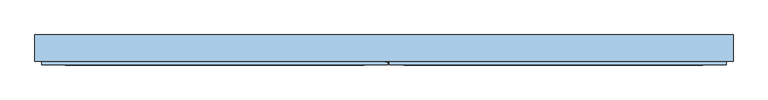
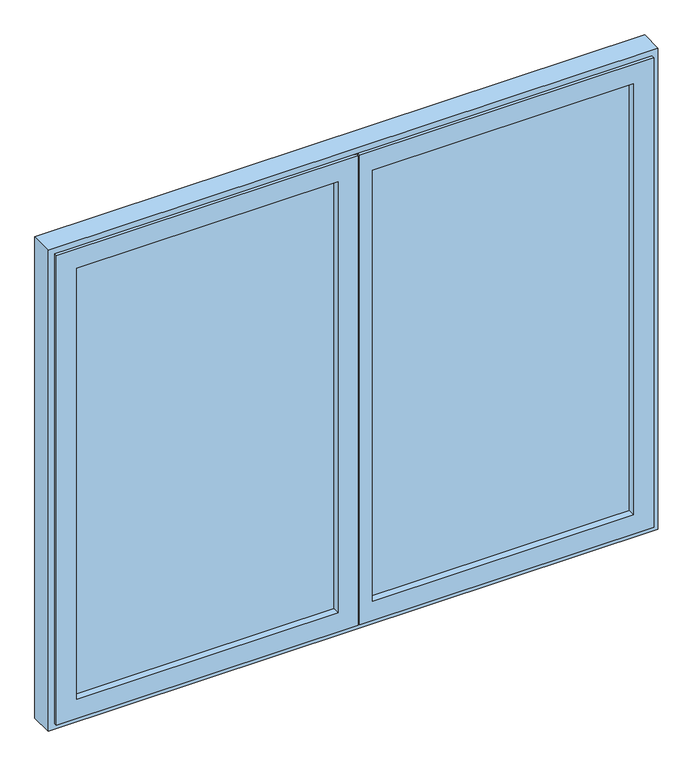
"""IFC4 building model written with IfcOpenShell, lengths in millimetres: window geometry."""

from ifc_helpers import new_model, si_unit, frame, origin, place, context, project, spatial, polyline, outline, extrude, faceted_brep, source, transform, mapped, element, save


def window_31a3cd9f(model_context):
    return source(origin(), model_context, "Body", "SolidModel", [
        faceted_brep([(51.41, 24.77, 978.0), (51.41, 24.77, 973.0), (51.41, 33.3, 973.0), (51.41, 33.3, 935.5), (51.41, -17.24, 935.5), (51.41, -17.24, 978.0), (51.41, 24.77, 2322.0), (51.41, 24.77, 2327.0), (827.0, 24.77, 2327.0), (827.0, 24.77, 973.0), (822.0, 24.77, 978.0), (822.0, 24.77, 2322.0), (827.0, 33.3, 973.0), (51.41, 33.3, 2327.0), (51.41, 33.3, 2364.5), (864.5, 33.3, 2364.5), (864.5, 33.3, 935.5), (827.0, 33.3, 2327.0), (864.5, -29.2, 935.5), (51.41, -29.2, 935.5), (46.4, -17.24, 2382.0), (51.41, -17.24, 2382.0), (51.41, -17.24, 2364.5), (51.41, -17.24, 2322.0), (51.41, -17.24, 918.0), (46.4, -17.24, 918.0), (51.41, -38.7, 978.0), (822.0, -38.7, 978.0), (51.41, -29.2, 2382.0), (882.0, -29.2, 2382.0), (882.0, -29.2, 918.0), (51.41, -29.2, 918.0), (864.5, -29.2, 2364.5), (51.41, -29.2, 2364.5), (882.0, -38.7, 2382.0), (882.0, -38.7, 918.0), (13.61, -38.75, 918.0), (13.61, -29.85, 918.0), (2.61, -29.85, 918.0), (2.61, 33.25, 918.0), (-41.19, 33.25, 918.0), (-41.19, 38.25, 918.0), (41.61, 38.25, 918.0), (41.61, 33.25, 918.0), (46.4, 33.25, 918.0), (51.41, -38.75, 2322.0), (822.0, -38.7, 2322.0), (13.61, -38.7, 2382.0), (13.61, -29.85, 2382.0), (2.61, -29.85, 2382.0), (2.61, 33.25, 2382.0), (-41.19, 33.25, 2382.0), (-41.19, 38.25, 2382.0), (41.61, 38.25, 2382.0), (41.61, 33.25, 2382.0), (46.4, 33.25, 2382.0)], [[[0, 1, 2, 3, 4, 5]], [[6, 7, 8, 9, 1, 0, 10, 11]], [[2, 1, 9, 12]], [[13, 14, 15, 16, 3, 2, 12, 17]], [[18, 19, 4, 3, 16]], [[20, 21, 22, 23, 5, 4, 24, 25]], [[10, 0, 5, 26, 27]], [[28, 29, 30, 31, 19, 18, 32, 33]], [[29, 34, 35, 30]], [[31, 30, 35, 36, 37, 38, 39, 40, 41, 42, 43, 44, 25, 24]], [[24, 4, 19, 31]], [[45, 26, 5, 23]], [[21, 28, 33, 22]], [[32, 18, 16, 15]], [[17, 12, 9, 8]], [[11, 10, 27, 46]], [[34, 47, 36, 35], [27, 26, 45, 46]], [[47, 48, 37, 36]], [[48, 49, 38, 37]], [[49, 50, 39, 38]], [[50, 51, 40, 39]], [[51, 52, 41, 40]], [[52, 53, 42, 41]], [[53, 54, 43, 42]], [[54, 55, 44, 43]], [[55, 20, 25, 44]], [[14, 13, 7, 6, 23, 22]], [[7, 13, 17, 8]], [[6, 11, 46, 45, 23]], [[33, 32, 15, 14, 22]], [[34, 29, 28, 21, 20, 55, 54, 53, 52, 51, 50, 49, 48, 47]]]),
        extrude(outline(polyline([(822.0, -17.2), (51.41, -17.2), (51.41, 24.8), (822.0, 24.8), (822.0, -17.2)])), frame((0.0, 0.0, 978.0), z_axis=(0.0, 0.0, 1.0), x_axis=(1.0, 0.0, 0.0)), (0.0, 0.0, 1.0), 1344.0),
        extrude(outline(polyline([(-50.4, -17.2), (-822.0, -17.2), (-822.0, 24.8), (-50.4, 24.8), (-50.4, -17.2)])), frame((0.0, 0.0, 978.0), z_axis=(0.0, 0.0, 1.0), x_axis=(1.0, 0.0, 0.0)), (0.0, 0.0, 1.0), 1344.0),
        faceted_brep([(-882.0, -38.7, 918.0), (-882.0, -29.2, 918.0), (9.6, -29.2, 918.0), (9.6, -38.7, 918.0), (9.6, -29.2, 2382.0), (9.6, -38.7, 2382.0), (-882.0, -29.2, 2382.0), (-7.9, -29.2, 2364.5), (-864.5, -29.2, 2364.5), (-864.5, -29.2, 935.5), (-7.9, -29.2, 935.5), (-882.0, -38.7, 2382.0), (-50.4, -38.7, 978.0), (-822.0, -38.7, 978.0), (-822.0, -38.7, 2322.0), (-50.4, -38.7, 2322.0), (-822.0, 24.77, 978.0), (-50.4, 24.77, 978.0), (-50.4, 24.77, 2322.0), (-45.4, 24.77, 973.0), (-827.0, 24.77, 973.0), (-827.0, 24.77, 2327.0), (-45.4, 24.77, 2327.0), (-822.0, 24.77, 2322.0), (-827.0, 33.3, 973.0), (-45.4, 33.3, 973.0), (-45.4, 33.3, 2327.0), (-7.9, 33.3, 935.5), (-864.5, 33.3, 935.5), (-864.5, 33.3, 2364.5), (-7.9, 33.3, 2364.5), (-827.0, 33.3, 2327.0)], [[[0, 1, 2, 3]], [[3, 2, 4, 5]], [[2, 1, 6, 4], [7, 8, 9, 10]], [[5, 11, 0, 3], [12, 13, 14, 15]], [[16, 13, 12, 17]], [[17, 12, 15, 18]], [[19, 20, 21, 22], [18, 23, 16, 17]], [[24, 20, 19, 25]], [[25, 19, 22, 26]], [[27, 28, 29, 30], [26, 31, 24, 25]], [[9, 28, 27, 10]], [[10, 27, 30, 7]], [[11, 6, 1, 0]], [[23, 14, 13, 16]], [[31, 21, 20, 24]], [[8, 29, 28, 9]], [[5, 4, 6, 11]], [[18, 15, 14, 23]], [[26, 22, 21, 31]], [[7, 30, 29, 8]]]),
        faceted_brep([(-875.0, 33.8, 925.0), (-875.0, -29.2, 925.0), (875.0, -29.2, 925.0), (875.0, 33.8, 925.0), (875.0, -29.2, 2375.0), (875.0, 33.8, 2375.0), (900.0, -29.2, 2400.0), (-900.0, -29.2, 2400.0), (-900.0, -29.2, 900.0), (900.0, -29.2, 900.0), (-875.0, -29.2, 2375.0), (-875.0, 33.8, 2375.0), (832.0, 33.8, 968.0), (-832.0, 33.8, 968.0), (-832.0, 33.8, 2332.0), (832.0, 33.8, 2332.0), (-832.0, 38.8, 968.0), (832.0, 38.8, 968.0), (832.0, 38.8, 2332.0), (900.0, 38.8, 900.0), (-900.0, 38.8, 900.0), (-900.0, 38.8, 2400.0), (900.0, 38.8, 2400.0), (-832.0, 38.8, 2332.0)], [[[0, 1, 2, 3]], [[3, 2, 4, 5]], [[6, 7, 8, 9], [2, 1, 10, 4]], [[5, 11, 0, 3], [12, 13, 14, 15]], [[16, 13, 12, 17]], [[17, 12, 15, 18]], [[19, 20, 21, 22], [18, 23, 16, 17]], [[19, 22, 6, 9]], [[8, 20, 19, 9]], [[11, 10, 1, 0]], [[23, 14, 13, 16]], [[7, 21, 20, 8]], [[5, 4, 10, 11]], [[18, 15, 14, 23]], [[6, 22, 21, 7]]]),
    ])


if __name__ == "__main__":
    model = new_model("IFC4")
    model_context = context("Model", 3, world=origin())
    ifc_project = project(units=[si_unit("LENGTHUNIT", "METRE", prefix="MILLI")], contexts=[model_context])
    site = spatial("IfcSite", under=ifc_project)
    building = spatial("IfcBuilding", under=site)
    placement = place(None, origin())
    window_shape = window_31a3cd9f(model_context)
    element("IfcWindow", 1, at=placement, inside=building, context=model_context, shape_type="MappedRepresentation", body=[
        mapped(window_shape, transform((0.0, 0.0, 0.0), x_axis=(1.0, 0.0, 0.0), y_axis=(0.0, 1.0, 0.0), z_axis=(0.0, 0.0, 1.0))),
    ])
    save(model, "model.ifc")
